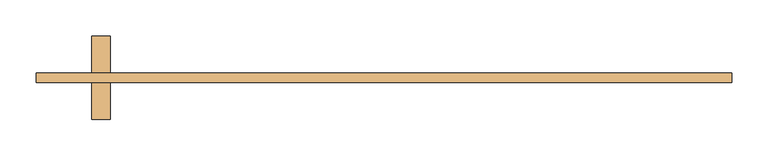
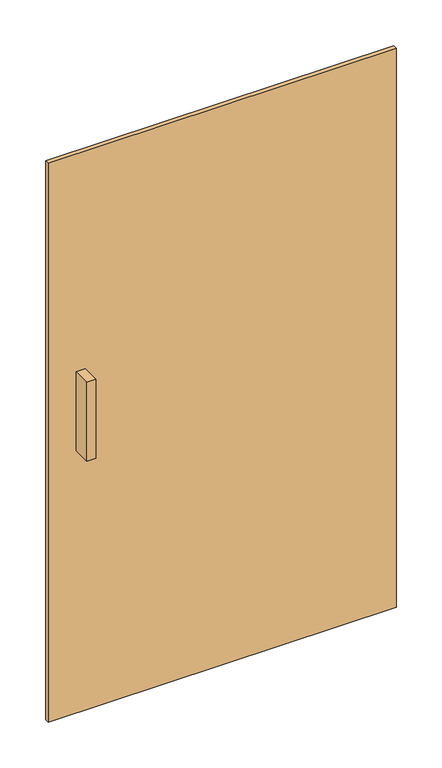
"""IFC4 building model written with IfcOpenShell, lengths in millimetres: door geometry."""

from ifc_helpers import new_model, si_unit, frame, origin, origin_with_axes, place, context, project, spatial, polyline, outline, extrude, source, transform, mapped, element, save


def door_218232d2(model_context):
    return source(origin(), model_context, "Body", "SweptSolid", [
        extrude(outline(polyline([(-375.9, -12.5), (-401.3, -12.5), (-401.3, 38.3), (-375.9, 38.3), (-375.9, -12.5)])), frame((0.0, 0.0, 762.0), z_axis=(0.0, 0.0, 1.0), x_axis=(1.0, 0.0, 0.0)), (0.0, 0.0, 1.0), 228.6),
        extrude(outline(polyline([(-401.3, 101.8), (-375.9, 101.8), (-375.9, 51.0), (-401.3, 51.0), (-401.3, 101.8)])), frame((0.0, 0.0, 762.0), z_axis=(0.0, 0.0, 1.0), x_axis=(1.0, 0.0, 0.0)), (0.0, 0.0, 1.0), 228.6),
        extrude(outline(polyline([(477.5, 51.0), (477.5, 38.3), (-477.5, 38.3), (-477.5, 51.0), (477.5, 51.0)])), origin_with_axes(), (0.0, 0.0, 1.0), 1621.6666667),
    ])


if __name__ == "__main__":
    model = new_model("IFC4")
    model_context = context("Model", 3, world=origin())
    ifc_project = project(units=[si_unit("LENGTHUNIT", "METRE", prefix="MILLI")], contexts=[model_context])
    site = spatial("IfcSite", under=ifc_project)
    building = spatial("IfcBuilding", under=site)
    placement = place(None, origin())
    door_shape = door_218232d2(model_context)
    element("IfcDoor", 1, at=placement, inside=building, context=model_context, shape_type="MappedRepresentation", body=[
        mapped(door_shape, transform((0.0, 0.0, 0.0), x_axis=(1.0, 0.0, 0.0), y_axis=(0.0, 1.0, 0.0), z_axis=(0.0, 0.0, 1.0))),
    ])
    save(model, "model.ifc")
